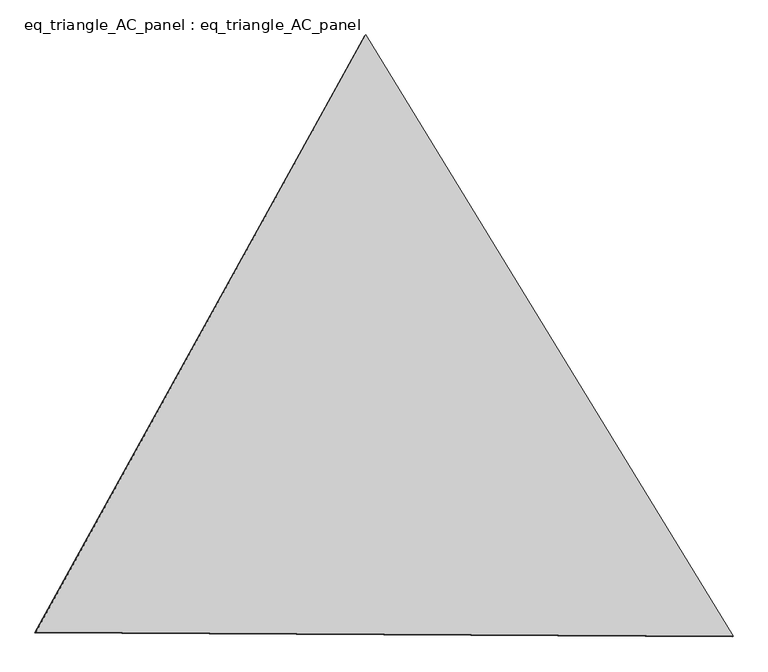
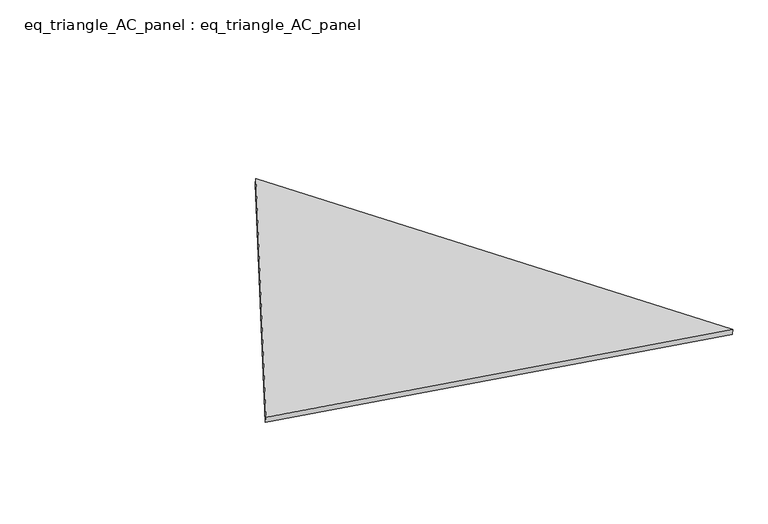
"""IFC4 building model written with IfcOpenShell, lengths in millimetres: proxy geometry, eq_triangle_AC_panel : eq_triangle_AC_panel."""

import ifcopenshell
import ifcopenshell.guid

model = None  # the IFC model being written
_history = None  # IfcOwnerHistory: only IFC2X3 demands one
_inside = {}  # id of a spatial element -> (the spatial element, [elements in it])
_under = {}  # id of a project, library or spatial element -> (it, [spatial elements below it])
_declared = {}  # id of a project -> (the project, [libraries it declares])
_typed = {}  # id of a type object -> (the type object, [elements of that type])
_made_of = {}  # id of a material, layer set ... -> (it, [elements and type objects made of it])


def new_model(schema):
    """Start an empty IFC model of exactly this schema.

    Asked for "IFC4X3", IfcOpenShell would pick the latest addendum, in which some entities
    have other attributes; the version numbers below select the first issue.
    IFC2X3 requires an IfcOwnerHistory on every rooted entity: one is made here for all.
    """
    global model, _history
    if schema == "IFC4X3":
        model = ifcopenshell.file(schema_version=(4, 3, 0, 0))
    else:
        model = ifcopenshell.file(schema=schema)
    _inside.clear()
    _under.clear()
    _declared.clear()
    _typed.clear()
    _made_of.clear()
    _history = None
    if model.schema == "IFC2X3":
        org = make("IfcOrganization", Name="unknown")
        user = make(
            "IfcPersonAndOrganization",
            ThePerson=make("IfcPerson", FamilyName="unknown"),
            TheOrganization=org,
        )
        app = make(
            "IfcApplication",
            ApplicationDeveloper=org,
            Version="unknown",
            ApplicationFullName="unknown",
            ApplicationIdentifier="unknown",
        )
        _history = make(
            "IfcOwnerHistory",
            OwningUser=user,
            OwningApplication=app,
            ChangeAction="ADDED",
            CreationDate=0,
        )
    return model


def make(cls, **values):
    """One entity of the class cls with the attributes given. An attribute that is None is left unset."""
    return model.create_entity(
        cls, **{name: value for name, value in values.items() if value is not None}
    )


def rooted(cls, **values):
    """An entity with a GlobalId (a new one), such as an element, a storey or a relation."""
    return make(cls, GlobalId=ifcopenshell.guid.new(), OwnerHistory=_history, **values)


def si_unit(unit_type, name, prefix=None):
    """IfcSIUnit, for example si_unit("LENGTHUNIT", "METRE", prefix="MILLI")."""
    return make("IfcSIUnit", UnitType=unit_type, Prefix=prefix, Name=name)


def assignment(units):
    """IfcUnitAssignment: the units of a project."""
    return None if units is None else make("IfcUnitAssignment", Units=units)


def point(xyz):
    """IfcCartesianPoint."""
    return None if xyz is None else make("IfcCartesianPoint", Coordinates=xyz)


def direction(xyz):
    """IfcDirection."""
    return None if xyz is None else make("IfcDirection", DirectionRatios=xyz)


def frame(location, z_axis=None, x_axis=None):
    """IfcAxis2Placement3D, a coordinate frame: its origin and axes. An axis left out is left unset."""
    return make(
        "IfcAxis2Placement3D",
        Location=point(location),
        Axis=direction(z_axis),
        RefDirection=direction(x_axis),
    )


def origin():
    """The frame at (0, 0, 0) with its axes left unset."""
    return frame((0.0, 0.0, 0.0))


def place(relative_to, where):
    """IfcLocalPlacement: puts the frame where relative to a parent placement (None: the world)."""
    return make(
        "IfcLocalPlacement", PlacementRelTo=relative_to, RelativePlacement=where
    )


def context(
    kind, dimensions, precision=None, world=None, true_north=None, identifier=None
):
    """IfcGeometricRepresentationContext, for example the 3D "Model" context."""
    return make(
        "IfcGeometricRepresentationContext",
        ContextIdentifier=identifier,
        ContextType=kind,
        CoordinateSpaceDimension=dimensions,
        Precision=precision,
        WorldCoordinateSystem=world,
        TrueNorth=true_north,
    )


def project(units=None, contexts=None):
    """IfcProject with its units and contexts."""
    return rooted(
        "IfcProject",
        Name="project",
        RepresentationContexts=contexts,
        UnitsInContext=assignment(units),
    )


def spatial(cls, under=None, at=None, **own):
    """A site, building, storey or space (cls), placed at a placement, below another one or the project."""
    s = rooted(cls, ObjectPlacement=at, **own)
    if under is not None:
        _under.setdefault(under.id(), (under, []))[1].append(s)
    return s


def polyline(points):
    """IfcPolyline through the points."""
    return make("IfcPolyline", Points=[point(p) for p in points])


def outline(outer, holes=None, kind="AREA"):
    """IfcArbitraryClosedProfileDef: a profile drawn as a closed curve; with holes, ...WithVoids."""
    if holes is None:
        return make("IfcArbitraryClosedProfileDef", ProfileType=kind, OuterCurve=outer)
    return make(
        "IfcArbitraryProfileDefWithVoids",
        ProfileType=kind,
        OuterCurve=outer,
        InnerCurves=holes,
    )


def extrude(swept, where, along, depth):
    """IfcExtrudedAreaSolid: the profile swept, set in the frame where, extruded along a direction by depth."""
    return make(
        "IfcExtrudedAreaSolid",
        SweptArea=swept,
        Position=where,
        ExtrudedDirection=direction(along),
        Depth=depth,
    )


def shape(context_of_items, identifier, shape_type, items):
    """IfcShapeRepresentation: the items that make up one representation, for example the "Body"."""
    return make(
        "IfcShapeRepresentation",
        ContextOfItems=context_of_items,
        RepresentationIdentifier=identifier,
        RepresentationType=shape_type,
        Items=items,
    )


def source(mapping_origin, context_of_items, identifier, shape_type, items):
    """IfcRepresentationMap: a shape defined once, which mapped items show again and again."""
    return make(
        "IfcRepresentationMap",
        MappingOrigin=mapping_origin,
        MappedRepresentation=shape(context_of_items, identifier, shape_type, items),
    )


def transform(
    local_origin,
    x_axis=None,
    y_axis=None,
    z_axis=None,
    scale=None,
    scale2=None,
    scale3=None,
    uniform=True,
):
    """IfcCartesianTransformationOperator3D, or its non-uniform kind. x_axis, y_axis, z_axis: its Axis1, 2, 3."""
    if uniform:
        return make(
            "IfcCartesianTransformationOperator3D",
            Axis1=direction(x_axis),
            Axis2=direction(y_axis),
            LocalOrigin=point(local_origin),
            Scale=scale,
            Axis3=direction(z_axis),
        )
    return make(
        "IfcCartesianTransformationOperator3DnonUniform",
        Axis1=direction(x_axis),
        Axis2=direction(y_axis),
        LocalOrigin=point(local_origin),
        Scale=scale,
        Axis3=direction(z_axis),
        Scale2=scale2,
        Scale3=scale3,
    )


def mapped(mapping_source, mapping_target):
    """IfcMappedItem: shows the shape of a source again, moved by a transform."""
    return make(
        "IfcMappedItem", MappingSource=mapping_source, MappingTarget=mapping_target
    )


def made_of(thing, what):
    """Note that an element or type object is made of a material, layer set ...; save() writes the relation."""
    if what is not None:
        _made_of.setdefault(what.id(), (what, []))[1].append(thing)
    return thing


def element(
    cls,
    number,
    at=None,
    inside=None,
    cuts=None,
    type_object=None,
    material=None,
    context=None,
    identifier="Body",
    shape_type=None,
    held_by="IfcProductDefinitionShape",
    body=None,
    shapes=None,
    **own,
):
    """One element of the class cls, such as IfcWall. Its Tag is "e" and its number.

    at: its placement. inside: the storey or other place that contains it. cuts: it is an
    opening in that element (IfcRelVoidsElement). A single representation is given by context,
    identifier, shape_type and body (its items); several are given by shapes. held_by: the class
    of the entity that holds the representations. save() writes the other relations.
    """
    e = rooted(cls, Tag="e%d" % number, ObjectPlacement=at, **own)
    if body is not None:
        shapes = [shape(context, identifier, shape_type, body)]
    if shapes is not None:
        e.Representation = make(held_by, Representations=shapes)
    if inside is not None:
        _inside.setdefault(inside.id(), (inside, []))[1].append(e)
    if cuts is not None:
        rooted(
            "IfcRelVoidsElement", RelatingBuildingElement=cuts, RelatedOpeningElement=e
        )
    if type_object is not None:
        _typed.setdefault(type_object.id(), (type_object, []))[1].append(e)
    return made_of(e, material)


def aggregate(whole, parts):
    """IfcRelAggregates: a whole, such as a stair, and the parts it consists of."""
    return rooted("IfcRelAggregates", RelatingObject=whole, RelatedObjects=parts)


def save(model, path):
    """Write the relations noted so far, then the file.

    IfcRelAggregates (storeys below a building ...), IfcRelContainedInSpatialStructure (elements
    in a storey), IfcRelDefinesByType, IfcRelAssociatesMaterial and IfcRelDeclares: one each for
    every whole, place, type object, material and project.
    """
    for whole, parts in _under.values():
        aggregate(whole, parts)
    for where, things in _inside.values():
        rooted(
            "IfcRelContainedInSpatialStructure",
            RelatedElements=things,
            RelatingStructure=where,
        )
    for kind, things in _typed.values():
        rooted("IfcRelDefinesByType", RelatedObjects=things, RelatingType=kind)
    for what, things in _made_of.values():
        rooted("IfcRelAssociatesMaterial", RelatedObjects=things, RelatingMaterial=what)
    for by, libraries in _declared.values():
        rooted("IfcRelDeclares", RelatingContext=by, RelatedDefinitions=libraries)
    model.write(path)


def eq_triangle_ac_panel_eq_triangle_ac_panel_ed769542(model_context):
    return source(origin(), model_context, "Body", "SweptSolid", [
        extrude(outline(polyline([(-2032.8496158, 1173.1636043), (2091.2878292, 1173.1636044), (-58.4382137, -2346.3272086), (-2032.8496158, 1173.1636043)])), frame((0.0038051, 527.9290861, 89.8240019), z_axis=(0.14526328518033607, 0.08386570281757687, 0.9858321976226636), x_axis=(0.5211049784320682, -0.8534823605081289, -0.004178726455055823)), (0.0, 0.0, 1.0), 43.8306294),
    ])


if __name__ == "__main__":
    model = new_model("IFC4")
    model_context = context("Model", 3, world=origin())
    ifc_project = project(units=[si_unit("LENGTHUNIT", "METRE", prefix="MILLI")], contexts=[model_context])
    site = spatial("IfcSite", under=ifc_project)
    building = spatial("IfcBuilding", under=site)
    placement = place(None, origin())
    eq_triangle_ac_panel_eq_triangle_ac_panel_shape = eq_triangle_ac_panel_eq_triangle_ac_panel_ed769542(model_context)
    element("IfcBuildingElementProxy", 1, Name="eq_triangle_AC_panel : eq_triangle_AC_panel", ObjectType="eq_triangle_AC_panel : eq_triangle_AC_panel", at=placement, inside=building, context=model_context, shape_type="MappedRepresentation", body=[
        mapped(eq_triangle_ac_panel_eq_triangle_ac_panel_shape, transform((0.0, 0.0, 0.0), x_axis=(1.0, 0.0, 0.0), y_axis=(0.0, 1.0, 0.0), z_axis=(0.0, 0.0, 1.0))),
    ])
    save(model, "model.ifc")
